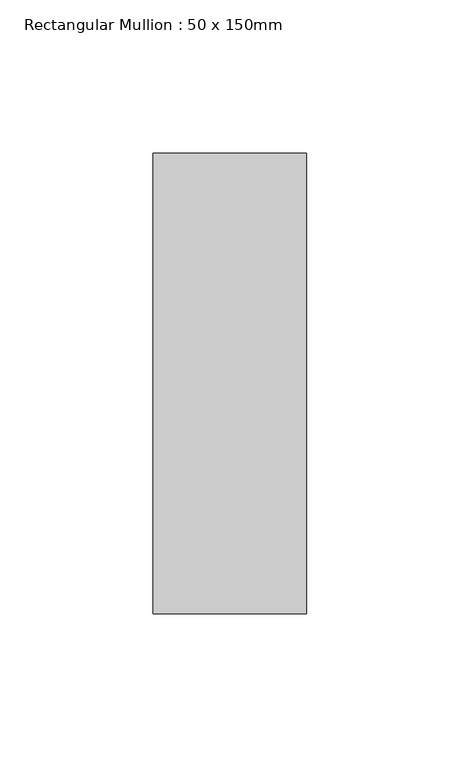
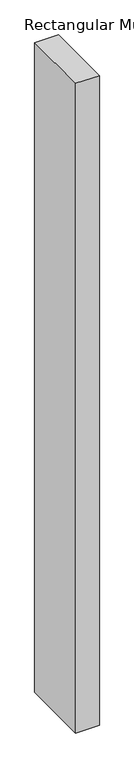
"""IFC4 building model written with IfcOpenShell, lengths in millimetres: member geometry, Rectangular Mullion : 50 x 150mm."""

from ifc_helpers import new_model, si_unit, frame, origin, place, context, project, spatial, polyline, outline, extrude, source, transform, mapped, element, save


def rectangular_mullion_50_x_150mm_ef6de070(model_context):
    return source(origin(), model_context, "Body", "SweptSolid", [
        extrude(outline(polyline([(25.0, 75.0), (25.0, -75.0), (-25.0, -75.0), (-25.0, 75.0), (25.0, 75.0)])), frame((0.0, 0.0, -1452.3858794), z_axis=(0.0, 0.0, 1.0), x_axis=(1.0, 0.0, 0.0)), (0.0, 0.0, 1.0), 1452.3858794),
    ])


if __name__ == "__main__":
    model = new_model("IFC4")
    model_context = context("Model", 3, world=origin())
    ifc_project = project(units=[si_unit("LENGTHUNIT", "METRE", prefix="MILLI")], contexts=[model_context])
    site = spatial("IfcSite", under=ifc_project)
    building = spatial("IfcBuilding", under=site)
    placement = place(None, origin())
    rectangular_mullion_50_x_150mm_shape = rectangular_mullion_50_x_150mm_ef6de070(model_context)
    element("IfcMember", 1, ObjectType="Rectangular Mullion : 50 x 150mm", at=placement, inside=building, context=model_context, shape_type="MappedRepresentation", body=[
        mapped(rectangular_mullion_50_x_150mm_shape, transform((0.0, 0.0, 0.0), x_axis=(1.0, 0.0, 0.0), y_axis=(0.0, 1.0, 0.0), z_axis=(0.0, 0.0, 1.0))),
    ])
    save(model, "model.ifc")
